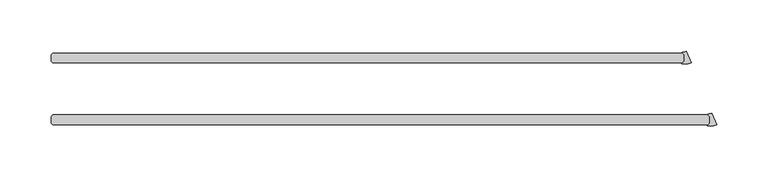
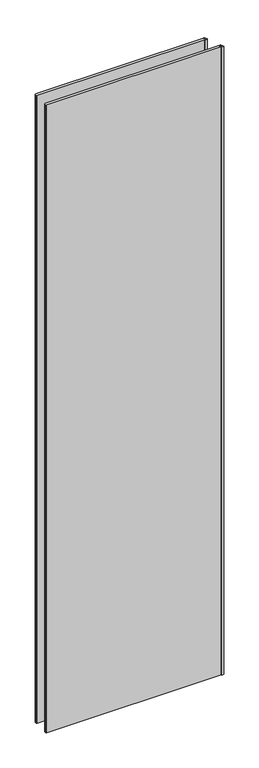
"""IFC4 building model written with IfcOpenShell, lengths in millimetres: plate geometry."""

from ifc_helpers import new_model, si_unit, point, frame_2d, origin, origin_with_axes, place, context, project, spatial, polyline, circle_curve, trimmed, segment, composite_curve, outline, extrude, source, transform, mapped, element, save


def plate_7c87e972(model_context):
    return source(origin(), model_context, "Body", "SweptSolid", [
        extrude(outline(composite_curve([segment(trimmed(circle_curve(frame_2d((325.462995, -18.5950115)), 17.6705863), [point((331.659972, -35.1433375))], [point((322.9799997, -36.0902781))], False, "CARTESIAN"), True, "CONTINUOUS"), segment(trimmed(circle_curve(frame_2d((323.0357669, -35.6973407)), 0.396875), [point((322.9799997, -36.0902781))], [point((322.7551339, -35.4167077))], False, "CARTESIAN"), True, "CONTINUOUS"), segment(polyline([(322.7551339, -35.4167077), (324.8343416, -33.3375), (324.8343416, -26.9875), (323.1278746, -25.2810331)]), True, "CONTINUOUS"), segment(trimmed(circle_curve(frame_2d((323.4085076, -25.0004)), 0.396875), [point((323.1278746, -25.2810331))], [point((323.4004278, -24.6036073))], False, "CARTESIAN"), True, "CONTINUOUS"), segment(trimmed(circle_curve(frame_2d((323.2331067, -16.386585)), 8.2187257), [point((323.4004278, -24.6036073))], [point((326.9309388, -23.7264413))], True, "CARTESIAN"), True, "CONTINUOUS"), segment(polyline([(326.9309388, -23.7264413), (331.659972, -35.1433375)]), True, "CONTINUOUS")], self_intersect=False)), origin_with_axes(), (0.0, 0.0, 1.0), 2428.7789267),
        extrude(outline(composite_curve([segment(trimmed(circle_curve(frame_2d((300.4755618, 41.7299885)), 17.6705863), [point((306.6725389, 25.1816625))], [point((297.9925665, 24.2347219))], False, "CARTESIAN"), True, "CONTINUOUS"), segment(trimmed(circle_curve(frame_2d((298.0483337, 24.6276593)), 0.396875), [point((297.9925665, 24.2347219))], [point((297.7677007, 24.9082923))], False, "CARTESIAN"), True, "CONTINUOUS"), segment(polyline([(297.7677007, 24.9082923), (299.8469084, 26.9875), (299.8469084, 33.3375), (298.1404415, 35.0439669)]), True, "CONTINUOUS"), segment(trimmed(circle_curve(frame_2d((298.4210745, 35.3246)), 0.396875), [point((298.1404415, 35.0439669))], [point((298.4129947, 35.7213927))], False, "CARTESIAN"), True, "CONTINUOUS"), segment(trimmed(circle_curve(frame_2d((298.2456736, 43.938415)), 8.2187257), [point((298.4129947, 35.7213927))], [point((301.9435056, 36.5985587))], True, "CARTESIAN"), True, "CONTINUOUS"), segment(polyline([(301.9435056, 36.5985587), (306.6725389, 25.1816625)]), True, "CONTINUOUS")], self_intersect=False)), origin_with_axes(), (0.0, 0.0, 1.0), 2428.7789267),
        extrude(outline(polyline([(298.2594084, 25.4), (-315.515625, 25.4), (-317.103125, 26.9875), (-317.103125, 33.3375), (-315.515625, 34.925), (298.2594084, 34.925), (299.8469084, 33.3375), (299.8469084, 26.9875), (298.2594084, 25.4)])), origin_with_axes(), (0.0, 0.0, 1.0), 2428.7789267),
        extrude(outline(polyline([(323.2468416, -34.925), (-315.515625, -34.925), (-317.103125, -33.3375), (-317.103125, -26.9875), (-315.515625, -25.4), (323.2468416, -25.4), (324.8343416, -26.9875), (324.8343416, -33.3375), (323.2468416, -34.925)])), origin_with_axes(), (0.0, 0.0, 1.0), 2428.7789267),
    ])


if __name__ == "__main__":
    model = new_model("IFC4")
    model_context = context("Model", 3, world=origin())
    ifc_project = project(units=[si_unit("LENGTHUNIT", "METRE", prefix="MILLI")], contexts=[model_context])
    site = spatial("IfcSite", under=ifc_project)
    building = spatial("IfcBuilding", under=site)
    placement = place(None, origin())
    plate_shape = plate_7c87e972(model_context)
    element("IfcPlate", 1, at=placement, inside=building, context=model_context, shape_type="MappedRepresentation", body=[
        mapped(plate_shape, transform((0.0, 0.0, 0.0), x_axis=(1.0, 0.0, 0.0), y_axis=(0.0, 1.0, 0.0), z_axis=(0.0, 0.0, 1.0))),
    ])
    save(model, "model.ifc")
